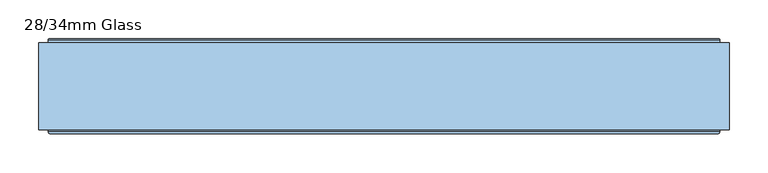
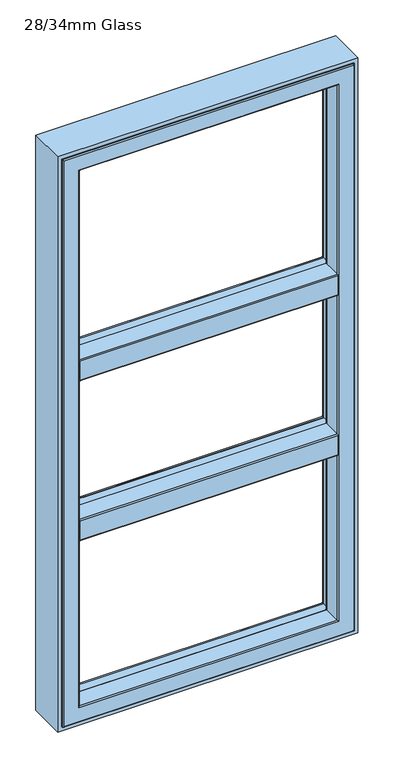
"""IFC4 building model written with IfcOpenShell, lengths in millimetres: window geometry, 28/34mm Glass."""

from ifc_helpers import new_model, si_unit, frame, origin, place, context, project, spatial, polyline, circle_curve, ellipse_curve, outline, extrude, source, transform, mapped, element, save
from ifc_brep_helpers import plane_surface, cylinder_surface, revolved_surface, advanced_brep


def window_28_34mm_glass_2fd0d075(model_context):
    return source(origin(), model_context, "Body", "SolidModel", [
        advanced_brep(
        [(382.0, 91.0, 1395.6729121), (382.0, 91.0, 1379.0), (-382.0, 91.0, 1379.0), (-382.0, 91.0, 1395.6729121), (382.0, 35.0, 1379.0), (-382.0, 35.0, 1379.0), (382.0, 32.0, 1382.0), (382.0, 32.0, 1442.0), (-382.0, 32.0, 1442.0), (-382.0, 32.0, 1382.0), (382.0, 35.0, 1445.0), (382.0, 91.0, 1445.0), (-382.0, 91.0, 1445.0), (-382.0, 35.0, 1445.0), (382.0, 91.0, 1428.3270879), (-382.0, 91.0, 1428.3270879), (400.1583253, 92.2894565, 1426.8419376), (406.822025, 146.5609347, 1420.1893048), (-406.822025, 146.5609347, 1420.1893048), (-400.1583253, 92.2894565, 1426.8419376), (406.822025, 146.5609347, 1403.8106952), (400.1583253, 92.2894565, 1397.1580624), (-400.1583253, 92.2894565, 1397.1580624), (-406.822025, 146.5609347, 1403.8106952), (400.0, 91.0, 1395.6729121), (400.0, 91.0, 1428.3270879), (407.6, 153.0, 1419.4), (407.6, 153.0, 1404.6), (407.6, 154.0, 1405.6), (407.6, 154.0, 1418.4), (407.0359197, 148.3029671, 1404.6), (407.0359197, 148.3029671, 1419.4), (-400.0, 91.0, 1428.3270879), (-400.0, 91.0, 1395.6729121), (-407.6, 153.0, 1404.6), (-407.6, 153.0, 1419.4), (-407.6, 154.0, 1418.4), (-407.6, 154.0, 1405.6), (-407.0359197, 148.3029671, 1419.4), (-407.0359197, 148.3029671, 1404.6)],
        [
            (0, 1),
            (1, 2),
            (2, 3),
            (3, 0),
            (1, 4),
            (4, 5),
            (5, 2),
            (6, 7),
            (7, 8),
            (8, 9),
            (9, 6),
            (10, 11),
            (11, 12),
            (12, 13),
            (13, 10),
            (11, 14),
            (14, 15),
            (15, 12),
            (16, 17),
            (17, 18),
            (18, 19),
            (19, 16),
            (20, 21),
            (21, 22),
            (22, 23),
            (23, 20),
            (14, 0),
            (0, 24),
            (24, 25),
            (25, 14),
            (10, 7, circle_curve(frame((382.0, 35.0, 1442.0), z_axis=(1.0, 0.0, 0.0), x_axis=(0.0, 0.0, 1.0)), 3.0)),
            (6, 4, circle_curve(frame((382.0, 35.0, 1382.0), z_axis=(1.0, 0.0, 0.0), x_axis=(0.0, 0.0, 1.0)), 3.0)),
            (26, 27),
            (27, 28, circle_curve(frame((407.6, 153.0, 1405.6), z_axis=(1.0, 0.0, 0.0), x_axis=(0.0, 0.0, 1.0)), 1.0)),
            (28, 29),
            (29, 26, circle_curve(frame((407.6, 153.0, 1418.4), z_axis=(1.0, 0.0, 0.0), x_axis=(0.0, 0.0, 1.0)), 1.0)),
            (24, 21, ellipse_curve(frame((400.1841768, 92.5, 1395.6729121), z_axis=(-0.9925461516413167, 0.12186934340519207, 0.0), x_axis=(0.12186934340519083, 0.9925461516413169, 0.0)), 1.5112647, 1.5)),
            (20, 30),
            (30, 27),
            (26, 31),
            (31, 17),
            (16, 25, ellipse_curve(frame((400.1841768, 92.5, 1428.3270879), z_axis=(-0.9925461516413167, 0.12186934340519207, 0.0), x_axis=(0.12186934340519083, 0.9925461516413169, 0.0)), 1.5112647, 1.5)),
            (3, 15),
            (15, 32),
            (32, 33),
            (33, 3),
            (5, 9, circle_curve(frame((-382.0, 35.0, 1382.0), z_axis=(-1.0, 0.0, 0.0), x_axis=(0.0, 0.0, 1.0)), 3.0)),
            (8, 13, circle_curve(frame((-382.0, 35.0, 1442.0), z_axis=(-1.0, 0.0, 0.0), x_axis=(0.0, 0.0, 1.0)), 3.0)),
            (34, 35),
            (35, 36, circle_curve(frame((-407.6, 153.0, 1418.4), z_axis=(-1.0, 0.0, 0.0), x_axis=(0.0, 0.0, 1.0)), 1.0)),
            (36, 37),
            (37, 34, circle_curve(frame((-407.6, 153.0, 1405.6), z_axis=(-1.0, 0.0, 0.0), x_axis=(0.0, 0.0, 1.0)), 1.0)),
            (32, 19, ellipse_curve(frame((-400.1841768, 92.5, 1428.3270879), z_axis=(0.9925461516413218, 0.12186934340514957, 0.0), x_axis=(0.12186934340514949, -0.9925461516413219, 0.0)), 1.5112647, 1.5)),
            (18, 38),
            (38, 35),
            (34, 39),
            (39, 23),
            (22, 33, ellipse_curve(frame((-400.1841768, 92.5, 1395.6729121), z_axis=(0.9925461516413218, 0.12186934340514957, 0.0), x_axis=(0.12186934340514949, -0.9925461516413219, 0.0)), 1.5112647, 1.5)),
            (31, 38),
            (26, 35),
            (29, 36),
            (28, 37),
            (27, 34),
            (30, 39),
        ],
        [
            plane_surface(frame((-432.0, 91.0, 1395.6729121), z_axis=(0.0, 1.0, 0.0), x_axis=(1.0, 0.0, 0.0))),
            plane_surface(frame((-432.0, 91.0, 1379.0), z_axis=(0.0, 0.0, -1.0), x_axis=(1.0, 0.0, 0.0))),
            plane_surface(frame((-432.0, 32.0, 1382.0), z_axis=(0.0, -1.0, 0.0), x_axis=(1.0, 0.0, 0.0))),
            plane_surface(frame((-432.0, 35.0, 1445.0), z_axis=(0.0, 0.0, 1.0), x_axis=(1.0, 0.0, 0.0))),
            plane_surface(frame((-432.0, 91.0, 1445.0), z_axis=(0.0, 1.0, 0.0), x_axis=(1.0, 0.0, 0.0))),
            plane_surface(frame((-432.0, 92.2894565, 1426.8419376), z_axis=(0.0, 0.12166994625706042, 0.992570614202236), x_axis=(1.0, 0.0, 0.0))),
            plane_surface(frame((-432.0, 146.5609347, 1403.8106952), z_axis=(0.0, 0.12166994625704212, -0.9925706142022382), x_axis=(1.0, 0.0, 0.0))),
            plane_surface(frame((400.0, 91.0, 1662.0), z_axis=(0.0, -1.0, 0.0), x_axis=(0.0, 0.0, -1.0))),
            plane_surface(frame((382.0, 91.0, 1662.0), z_axis=(1.0, 0.0, 0.0), x_axis=(0.0, 0.0, -1.0))),
            plane_surface(frame((407.6, 154.0, 1662.0), z_axis=(1.0, 0.0, 0.0), x_axis=(0.0, 0.0, -1.0))),
            plane_surface(frame((407.6, 152.8970329, 1662.0), z_axis=(0.9925461516413167, -0.12186934340519207, 0.0), x_axis=(0.0, 0.0, -1.0))),
            plane_surface(frame((-382.0, 91.0, 1662.0), z_axis=(0.0, -1.0, 0.0), x_axis=(0.0, 0.0, -1.0))),
            plane_surface(frame((-382.0, 32.0, 1662.0), z_axis=(-1.0, 0.0, 0.0), x_axis=(0.0, 0.0, -1.0))),
            plane_surface(frame((-407.6, 152.8970329, 1662.0), z_axis=(-1.0, 0.0, 0.0), x_axis=(0.0, 0.0, -1.0))),
            plane_surface(frame((-400.0, 91.0, 1662.0), z_axis=(-0.9925461516413218, -0.12186934340514957, 0.0), x_axis=(0.0, 0.0, -1.0))),
            revolved_surface(polyline([(400.3683536367004, 92.5, 1397.1729121), (-400.36835363670036, 92.5, 1397.1729121)]), (432.0, 92.5, 1395.6729121), (1.0, 0.0, 0.0)),
            cylinder_surface(frame((432.0, 35.0, 1382.0), z_axis=(-1.0, 0.0, 0.0), x_axis=(0.0, 0.0, 1.0)), 3.0),
            cylinder_surface(frame((432.0, 35.0, 1442.0), z_axis=(-1.0, 0.0, 0.0), x_axis=(0.0, 0.0, 1.0)), 3.0),
            revolved_surface(polyline([(400.3683536367004, 92.5, 1429.8270879), (-400.36835363670036, 92.5, 1429.8270879)]), (432.0, 92.5, 1428.3270879), (1.0, 0.0, 0.0)),
            plane_surface(frame((-432.0, 146.5609347, 1420.1893048), z_axis=(0.0, 0.4127070888885561, 0.9108637981504883), x_axis=(1.0, 0.0, 0.0))),
            plane_surface(frame((-432.0, 148.3029671, 1419.4), z_axis=(0.0, 0.0, 1.0), x_axis=(1.0, 0.0, 0.0))),
            cylinder_surface(frame((432.0, 153.0, 1418.4), z_axis=(-1.0, 0.0, 0.0), x_axis=(0.0, 0.0, 1.0)), 1.0),
            plane_surface(frame((-432.0, 154.0, 1418.4), z_axis=(0.0, 1.0, 0.0), x_axis=(1.0, 0.0, 0.0))),
            cylinder_surface(frame((432.0, 153.0, 1405.6), z_axis=(-1.0, 0.0, 0.0), x_axis=(0.0, 0.0, 1.0)), 1.0),
            plane_surface(frame((-432.0, 153.0, 1404.6), z_axis=(0.0, 0.0, -1.0), x_axis=(1.0, 0.0, 0.0))),
            plane_surface(frame((-432.0, 148.3029671, 1404.6), z_axis=(0.0, 0.41270708890017077, -0.9108637981452258), x_axis=(1.0, 0.0, 0.0))),
        ],
        [
            (0, [[1, 2, 3, 4]]),
            (1, [[5, 6, 7, -2]]),
            (2, [[8, 9, 10, 11]]),
            (3, [[12, 13, 14, 15]]),
            (4, [[16, 17, 18, -13]]),
            (5, [[19, 20, 21, 22]]),
            (6, [[23, 24, 25, 26]]),
            (7, [[27, 28, 29, 30]]),
            (8, [[-27, -16, -12, 31, -8, 32, -5, -1]]),
            (9, [[33, 34, 35, 36]]),
            (10, [[-29, 37, -23, 38, 39, -33, 40, 41, -19, 42]]),
            (11, [[43, 44, 45, 46]]),
            (12, [[-43, -3, -7, 47, -10, 48, -14, -18]]),
            (13, [[49, 50, 51, 52]]),
            (14, [[-45, 53, -21, 54, 55, -49, 56, 57, -25, 58]]),
            (15, [[-28, -4, -46, -58, -24, -37]]),
            (16, [[-32, -11, -47, -6]]),
            (17, [[-31, -15, -48, -9]]),
            (18, [[-30, -42, -22, -53, -44, -17]]),
            (19, [[-41, 59, -54, -20]]),
            (20, [[-40, 60, -55, -59]]),
            (21, [[-36, 61, -50, -60]]),
            (22, [[-35, 62, -51, -61]]),
            (23, [[-34, 63, -52, -62]]),
            (24, [[-39, 64, -56, -63]]),
            (25, [[-38, -26, -57, -64]]),
        ],
    ),
        advanced_brep(
        [(382.0, 91.0, 1895.6729121), (382.0, 91.0, 1879.0), (-382.0, 91.0, 1879.0), (-382.0, 91.0, 1895.6729121), (382.0, 35.0, 1879.0), (-382.0, 35.0, 1879.0), (382.0, 32.0, 1882.0), (382.0, 32.0, 1942.0), (-382.0, 32.0, 1942.0), (-382.0, 32.0, 1882.0), (382.0, 35.0, 1945.0), (382.0, 91.0, 1945.0), (-382.0, 91.0, 1945.0), (-382.0, 35.0, 1945.0), (382.0, 91.0, 1928.3270879), (-382.0, 91.0, 1928.3270879), (400.1583253, 92.2894565, 1926.8419376), (406.822025, 146.5609347, 1920.1893048), (-406.822025, 146.5609347, 1920.1893048), (-400.1583253, 92.2894565, 1926.8419376), (406.822025, 146.5609347, 1903.8106952), (400.1583253, 92.2894565, 1897.1580624), (-400.1583253, 92.2894565, 1897.1580624), (-406.822025, 146.5609347, 1903.8106952), (400.0, 91.0, 1895.6729121), (400.0, 91.0, 1928.3270879), (407.6, 153.0, 1919.4), (407.6, 153.0, 1904.6), (407.6, 154.0, 1905.6), (407.6, 154.0, 1918.4), (407.0359197, 148.3029671, 1904.6), (407.0359197, 148.3029671, 1919.4), (-400.0, 91.0, 1928.3270879), (-400.0, 91.0, 1895.6729121), (-407.6, 153.0, 1904.6), (-407.6, 153.0, 1919.4), (-407.6, 154.0, 1918.4), (-407.6, 154.0, 1905.6), (-407.0359197, 148.3029671, 1919.4), (-407.0359197, 148.3029671, 1904.6)],
        [
            (0, 1),
            (1, 2),
            (2, 3),
            (3, 0),
            (1, 4),
            (4, 5),
            (5, 2),
            (6, 7),
            (7, 8),
            (8, 9),
            (9, 6),
            (10, 11),
            (11, 12),
            (12, 13),
            (13, 10),
            (11, 14),
            (14, 15),
            (15, 12),
            (16, 17),
            (17, 18),
            (18, 19),
            (19, 16),
            (20, 21),
            (21, 22),
            (22, 23),
            (23, 20),
            (14, 0),
            (0, 24),
            (24, 25),
            (25, 14),
            (10, 7, circle_curve(frame((382.0, 35.0, 1942.0), z_axis=(1.0, 0.0, 0.0), x_axis=(0.0, 0.0, 1.0)), 3.0)),
            (6, 4, circle_curve(frame((382.0, 35.0, 1882.0), z_axis=(1.0, 0.0, 0.0), x_axis=(0.0, 0.0, 1.0)), 3.0)),
            (26, 27),
            (27, 28, circle_curve(frame((407.6, 153.0, 1905.6), z_axis=(1.0, 0.0, 0.0), x_axis=(0.0, 0.0, 1.0)), 1.0)),
            (28, 29),
            (29, 26, circle_curve(frame((407.6, 153.0, 1918.4), z_axis=(1.0, 0.0, 0.0), x_axis=(0.0, 0.0, 1.0)), 1.0)),
            (24, 21, ellipse_curve(frame((400.1841768, 92.5, 1895.6729121), z_axis=(-0.9925461516413167, 0.12186934340519207, 0.0), x_axis=(0.12186934340519083, 0.9925461516413169, 0.0)), 1.5112647, 1.5)),
            (20, 30),
            (30, 27),
            (26, 31),
            (31, 17),
            (16, 25, ellipse_curve(frame((400.1841768, 92.5, 1928.3270879), z_axis=(-0.9925461516413167, 0.12186934340519207, 0.0), x_axis=(0.12186934340519083, 0.9925461516413169, 0.0)), 1.5112647, 1.5)),
            (3, 15),
            (15, 32),
            (32, 33),
            (33, 3),
            (5, 9, circle_curve(frame((-382.0, 35.0, 1882.0), z_axis=(-1.0, 0.0, 0.0), x_axis=(0.0, 0.0, 1.0)), 3.0)),
            (8, 13, circle_curve(frame((-382.0, 35.0, 1942.0), z_axis=(-1.0, 0.0, 0.0), x_axis=(0.0, 0.0, 1.0)), 3.0)),
            (34, 35),
            (35, 36, circle_curve(frame((-407.6, 153.0, 1918.4), z_axis=(-1.0, 0.0, 0.0), x_axis=(0.0, 0.0, 1.0)), 1.0)),
            (36, 37),
            (37, 34, circle_curve(frame((-407.6, 153.0, 1905.6), z_axis=(-1.0, 0.0, 0.0), x_axis=(0.0, 0.0, 1.0)), 1.0)),
            (32, 19, ellipse_curve(frame((-400.1841768, 92.5, 1928.3270879), z_axis=(0.9925461516413218, 0.12186934340514957, 0.0), x_axis=(0.12186934340514949, -0.9925461516413219, 0.0)), 1.5112647, 1.5)),
            (18, 38),
            (38, 35),
            (34, 39),
            (39, 23),
            (22, 33, ellipse_curve(frame((-400.1841768, 92.5, 1895.6729121), z_axis=(0.9925461516413218, 0.12186934340514957, 0.0), x_axis=(0.12186934340514949, -0.9925461516413219, 0.0)), 1.5112647, 1.5)),
            (31, 38),
            (26, 35),
            (29, 36),
            (28, 37),
            (27, 34),
            (30, 39),
        ],
        [
            plane_surface(frame((-432.0, 91.0, 1895.6729121), z_axis=(0.0, 1.0, 0.0), x_axis=(1.0, 0.0, 0.0))),
            plane_surface(frame((-432.0, 91.0, 1879.0), z_axis=(0.0, 0.0, -1.0), x_axis=(1.0, 0.0, 0.0))),
            plane_surface(frame((-432.0, 32.0, 1882.0), z_axis=(0.0, -1.0, 0.0), x_axis=(1.0, 0.0, 0.0))),
            plane_surface(frame((-432.0, 35.0, 1945.0), z_axis=(0.0, 0.0, 1.0), x_axis=(1.0, 0.0, 0.0))),
            plane_surface(frame((-432.0, 91.0, 1945.0), z_axis=(0.0, 1.0, 0.0), x_axis=(1.0, 0.0, 0.0))),
            plane_surface(frame((-432.0, 92.2894565, 1926.8419376), z_axis=(0.0, 0.12166994625706042, 0.992570614202236), x_axis=(1.0, 0.0, 0.0))),
            plane_surface(frame((-432.0, 146.5609347, 1903.8106952), z_axis=(0.0, 0.12166994625704212, -0.9925706142022382), x_axis=(1.0, 0.0, 0.0))),
            plane_surface(frame((400.0, 91.0, 2162.0), z_axis=(0.0, -1.0, 0.0), x_axis=(0.0, 0.0, -1.0))),
            plane_surface(frame((382.0, 91.0, 2162.0), z_axis=(1.0, 0.0, 0.0), x_axis=(0.0, 0.0, -1.0))),
            plane_surface(frame((407.6, 154.0, 2162.0), z_axis=(1.0, 0.0, 0.0), x_axis=(0.0, 0.0, -1.0))),
            plane_surface(frame((407.6, 152.8970329, 2162.0), z_axis=(0.9925461516413167, -0.12186934340519207, 0.0), x_axis=(0.0, 0.0, -1.0))),
            plane_surface(frame((-382.0, 91.0, 2162.0), z_axis=(0.0, -1.0, 0.0), x_axis=(0.0, 0.0, -1.0))),
            plane_surface(frame((-382.0, 32.0, 2162.0), z_axis=(-1.0, 0.0, 0.0), x_axis=(0.0, 0.0, -1.0))),
            plane_surface(frame((-407.6, 152.8970329, 2162.0), z_axis=(-1.0, 0.0, 0.0), x_axis=(0.0, 0.0, -1.0))),
            plane_surface(frame((-400.0, 91.0, 2162.0), z_axis=(-0.9925461516413218, -0.12186934340514957, 0.0), x_axis=(0.0, 0.0, -1.0))),
            revolved_surface(polyline([(400.3683536367004, 92.5, 1897.1729121), (-400.36835363670036, 92.5, 1897.1729121)]), (432.0, 92.5, 1895.6729121), (1.0, 0.0, 0.0)),
            cylinder_surface(frame((432.0, 35.0, 1882.0), z_axis=(-1.0, 0.0, 0.0), x_axis=(0.0, 0.0, 1.0)), 3.0),
            cylinder_surface(frame((432.0, 35.0, 1942.0), z_axis=(-1.0, 0.0, 0.0), x_axis=(0.0, 0.0, 1.0)), 3.0),
            revolved_surface(polyline([(400.3683536367004, 92.5, 1929.8270879), (-400.36835363670036, 92.5, 1929.8270879)]), (432.0, 92.5, 1928.3270879), (1.0, 0.0, 0.0)),
            plane_surface(frame((-432.0, 146.5609347, 1920.1893048), z_axis=(0.0, 0.4127070888885561, 0.9108637981504883), x_axis=(1.0, 0.0, 0.0))),
            plane_surface(frame((-432.0, 148.3029671, 1919.4), z_axis=(0.0, 0.0, 1.0), x_axis=(1.0, 0.0, 0.0))),
            cylinder_surface(frame((432.0, 153.0, 1918.4), z_axis=(-1.0, 0.0, 0.0), x_axis=(0.0, 0.0, 1.0)), 1.0),
            plane_surface(frame((-432.0, 154.0, 1918.4), z_axis=(0.0, 1.0, 0.0), x_axis=(1.0, 0.0, 0.0))),
            cylinder_surface(frame((432.0, 153.0, 1905.6), z_axis=(-1.0, 0.0, 0.0), x_axis=(0.0, 0.0, 1.0)), 1.0),
            plane_surface(frame((-432.0, 153.0, 1904.6), z_axis=(0.0, 0.0, -1.0), x_axis=(1.0, 0.0, 0.0))),
            plane_surface(frame((-432.0, 148.3029671, 1904.6), z_axis=(0.0, 0.41270708890017077, -0.9108637981452258), x_axis=(1.0, 0.0, 0.0))),
        ],
        [
            (0, [[1, 2, 3, 4]]),
            (1, [[5, 6, 7, -2]]),
            (2, [[8, 9, 10, 11]]),
            (3, [[12, 13, 14, 15]]),
            (4, [[16, 17, 18, -13]]),
            (5, [[19, 20, 21, 22]]),
            (6, [[23, 24, 25, 26]]),
            (7, [[27, 28, 29, 30]]),
            (8, [[-27, -16, -12, 31, -8, 32, -5, -1]]),
            (9, [[33, 34, 35, 36]]),
            (10, [[-29, 37, -23, 38, 39, -33, 40, 41, -19, 42]]),
            (11, [[43, 44, 45, 46]]),
            (12, [[-43, -3, -7, 47, -10, 48, -14, -18]]),
            (13, [[49, 50, 51, 52]]),
            (14, [[-45, 53, -21, 54, 55, -49, 56, 57, -25, 58]]),
            (15, [[-28, -4, -46, -58, -24, -37]]),
            (16, [[-32, -11, -47, -6]]),
            (17, [[-31, -15, -48, -9]]),
            (18, [[-30, -42, -22, -53, -44, -17]]),
            (19, [[-41, 59, -54, -20]]),
            (20, [[-40, 60, -55, -59]]),
            (21, [[-36, 61, -50, -60]]),
            (22, [[-35, 62, -51, -61]]),
            (23, [[-34, 63, -52, -62]]),
            (24, [[-39, 64, -56, -63]]),
            (25, [[-38, -26, -57, -64]]),
        ],
    ),
        advanced_brep(
        [(-383.5, 91.0, 2539.5), (-382.0, 89.5, 2538.0), (-382.0, 89.5, 862.0), (-383.5, 91.0, 860.5), (-382.0, 35.0, 2538.0), (-382.0, 35.0, 862.0), (382.0, 89.5, 862.0), (383.5, 91.0, 860.5), (398.6498733, 91.0, 2554.6498733), (398.6498733, 91.0, 845.3501267), (-398.6498733, 91.0, 845.3501267), (-398.6498733, 91.0, 2554.6498733), (383.5, 91.0, 2539.5), (-400.1386925, 92.317196, 2556.1386925), (-400.1386925, 92.317196, 843.8613075), (400.1386925, 92.317196, 843.8613075), (-406.7857488, 146.453125, 2562.7857488), (-406.7857488, 146.453125, 837.2142512), (406.7857488, 146.453125, 837.2142512), (407.6, 146.453125, 2563.6), (407.6, 146.453125, 836.4), (-407.6, 146.453125, 836.4), (-407.6, 146.453125, 2563.6), (406.7857488, 146.453125, 2562.7857488), (-407.6, 153.0, 2563.6), (-407.6, 153.0, 836.4), (407.6, 153.0, 836.4), (-408.6, 154.0, 2564.6), (-408.6, 154.0, 835.4), (408.6, 154.0, 835.4), (431.0, 154.0, 2587.0), (431.0, 154.0, 813.0), (-431.0, 154.0, 813.0), (-431.0, 154.0, 2587.0), (408.6, 154.0, 2564.6), (-432.0, 153.0, 2588.0), (-432.0, 153.0, 812.0), (432.0, 153.0, 812.0), (-432.0, 35.0, 2588.0), (-432.0, 35.0, 812.0), (432.0, 35.0, 812.0), (-429.0, 32.0, 2585.0), (-429.0, 32.0, 815.0), (429.0, 32.0, 815.0), (429.0, 32.0, 2585.0), (385.0, 32.0, 2541.0), (385.0, 32.0, 859.0), (-385.0, 32.0, 859.0), (-385.0, 32.0, 2541.0), (382.0, 35.0, 862.0), (382.0, 89.5, 2538.0), (400.1386925, 92.317196, 2556.1386925), (407.6, 153.0, 2563.6), (432.0, 153.0, 2588.0), (432.0, 35.0, 2588.0), (382.0, 35.0, 2538.0)],
        [
            (0, 1, ellipse_curve(frame((-383.5, 89.5, 2539.5), z_axis=(-0.7071067811865475, 0.0, -0.7071067811865475), x_axis=(-0.7071067811865474, 0.0, 0.7071067811865476)), 2.1213203, 1.5)),
            (1, 2),
            (2, 3, ellipse_curve(frame((-383.5, 89.5, 860.5), z_axis=(-0.7071067811865475, 0.0, 0.7071067811865475), x_axis=(0.7071067811865474, 0.0, 0.7071067811865476)), 2.1213203, 1.5)),
            (3, 0),
            (1, 4),
            (4, 5),
            (5, 2),
            (2, 6),
            (6, 7, ellipse_curve(frame((383.5, 89.5, 860.5), z_axis=(-0.7071067811865475, 0.0, -0.7071067811865475), x_axis=(-0.7071067811865476, 0.0, 0.7071067811865474)), 2.1213203, 1.5)),
            (7, 3),
            (8, 9),
            (9, 10),
            (10, 11),
            (11, 8),
            (7, 12),
            (12, 0),
            (13, 11, ellipse_curve(frame((-398.6498733, 92.5, 2554.6498733), z_axis=(0.7071067811865475, 0.0, 0.7071067811865475), x_axis=(0.7071067811865474, 0.0, -0.7071067811865476)), 2.1213203, 1.5)),
            (10, 14, ellipse_curve(frame((-398.6498733, 92.5, 845.3501267), z_axis=(0.7071067811865475, 0.0, -0.7071067811865475), x_axis=(-0.7071067811865474, 0.0, -0.7071067811865476)), 2.1213203, 1.5)),
            (14, 13),
            (9, 15, ellipse_curve(frame((398.6498733, 92.5, 845.3501267), z_axis=(0.7071067811865475, 0.0, 0.7071067811865475), x_axis=(0.7071067811865476, 0.0, -0.7071067811865474)), 2.1213203, 1.5)),
            (15, 14),
            (16, 13),
            (14, 17),
            (17, 16),
            (15, 18),
            (18, 17),
            (19, 20),
            (20, 21),
            (21, 22),
            (22, 19),
            (18, 23),
            (23, 16),
            (24, 22),
            (21, 25),
            (25, 24),
            (20, 26),
            (26, 25),
            (27, 24, ellipse_curve(frame((-408.6, 153.0, 2564.6), z_axis=(-0.7071067811865475, 0.0, -0.7071067811865475), x_axis=(-0.7071067811865474, 0.0, 0.7071067811865476)), 1.4142136, 1.0)),
            (25, 28, ellipse_curve(frame((-408.6, 153.0, 835.4), z_axis=(-0.7071067811865475, 0.0, 0.7071067811865475), x_axis=(0.7071067811865474, 0.0, 0.7071067811865476)), 1.4142136, 1.0)),
            (28, 27),
            (26, 29, ellipse_curve(frame((408.6, 153.0, 835.4), z_axis=(-0.7071067811865475, 0.0, -0.7071067811865475), x_axis=(-0.7071067811865476, 0.0, 0.7071067811865474)), 1.4142136, 1.0)),
            (29, 28),
            (30, 31),
            (31, 32),
            (32, 33),
            (33, 30),
            (29, 34),
            (34, 27),
            (35, 33, ellipse_curve(frame((-431.0, 153.0, 2587.0), z_axis=(-0.7071067811865475, 0.0, -0.7071067811865475), x_axis=(-0.7071067811865474, 0.0, 0.7071067811865476)), 1.4142136, 1.0)),
            (32, 36, ellipse_curve(frame((-431.0, 153.0, 813.0), z_axis=(-0.7071067811865475, 0.0, 0.7071067811865475), x_axis=(0.7071067811865474, 0.0, 0.7071067811865476)), 1.4142136, 1.0)),
            (36, 35),
            (31, 37, ellipse_curve(frame((431.0, 153.0, 813.0), z_axis=(-0.7071067811865475, 0.0, -0.7071067811865475), x_axis=(-0.7071067811865476, 0.0, 0.7071067811865474)), 1.4142136, 1.0)),
            (37, 36),
            (38, 35),
            (36, 39),
            (39, 38),
            (37, 40),
            (40, 39),
            (41, 38, ellipse_curve(frame((-429.0, 35.0, 2585.0), z_axis=(-0.7071067811865475, 0.0, -0.7071067811865475), x_axis=(-0.7071067811865474, 0.0, 0.7071067811865476)), 4.2426407, 3.0)),
            (39, 42, ellipse_curve(frame((-429.0, 35.0, 815.0), z_axis=(-0.7071067811865475, 0.0, 0.7071067811865475), x_axis=(0.7071067811865474, 0.0, 0.7071067811865476)), 4.2426407, 3.0)),
            (42, 41),
            (40, 43, ellipse_curve(frame((429.0, 35.0, 815.0), z_axis=(-0.7071067811865475, 0.0, -0.7071067811865475), x_axis=(-0.7071067811865476, 0.0, 0.7071067811865474)), 4.2426407, 3.0)),
            (43, 42),
            (43, 44),
            (44, 41),
            (45, 46),
            (46, 47),
            (47, 48),
            (48, 45),
            (4, 48, ellipse_curve(frame((-385.0, 35.0, 2541.0), z_axis=(-0.7071067811865475, 0.0, -0.7071067811865475), x_axis=(-0.7071067811865474, 0.0, 0.7071067811865476)), 4.2426407, 3.0)),
            (47, 5, ellipse_curve(frame((-385.0, 35.0, 859.0), z_axis=(-0.7071067811865475, 0.0, 0.7071067811865475), x_axis=(0.7071067811865474, 0.0, 0.7071067811865476)), 4.2426407, 3.0)),
            (46, 49, ellipse_curve(frame((385.0, 35.0, 859.0), z_axis=(-0.7071067811865475, 0.0, -0.7071067811865475), x_axis=(-0.7071067811865476, 0.0, 0.7071067811865474)), 4.2426407, 3.0)),
            (49, 5),
            (49, 6),
            (6, 50),
            (50, 12, ellipse_curve(frame((383.5, 89.5, 2539.5), z_axis=(0.7071067811865475, 0.0, -0.7071067811865475), x_axis=(-0.7071067811865474, 0.0, -0.7071067811865476)), 2.1213203, 1.5)),
            (8, 51, ellipse_curve(frame((398.6498733, 92.5, 2554.6498733), z_axis=(-0.7071067811865475, 0.0, 0.7071067811865475), x_axis=(0.7071067811865474, 0.0, 0.7071067811865476)), 2.1213203, 1.5)),
            (51, 15),
            (51, 23),
            (19, 52),
            (52, 26),
            (52, 34, ellipse_curve(frame((408.6, 153.0, 2564.6), z_axis=(0.7071067811865475, 0.0, -0.7071067811865475), x_axis=(-0.7071067811865474, 0.0, -0.7071067811865476)), 1.4142136, 1.0)),
            (30, 53, ellipse_curve(frame((431.0, 153.0, 2587.0), z_axis=(0.7071067811865475, 0.0, -0.7071067811865475), x_axis=(-0.7071067811865474, 0.0, -0.7071067811865476)), 1.4142136, 1.0)),
            (53, 37),
            (53, 54),
            (54, 40),
            (54, 44, ellipse_curve(frame((429.0, 35.0, 2585.0), z_axis=(0.7071067811865475, 0.0, -0.7071067811865475), x_axis=(-0.7071067811865474, 0.0, -0.7071067811865476)), 4.2426407, 3.0)),
            (45, 55, ellipse_curve(frame((385.0, 35.0, 2541.0), z_axis=(0.7071067811865475, 0.0, -0.7071067811865475), x_axis=(-0.7071067811865474, 0.0, -0.7071067811865476)), 4.2426407, 3.0)),
            (55, 49),
            (55, 50),
            (50, 1),
            (55, 4),
            (13, 51),
            (24, 52),
            (35, 53),
            (38, 54),
        ],
        [
            cylinder_surface(frame((-383.5, 89.5, 2600.0), z_axis=(0.0, 0.0, 1.0), x_axis=(0.0, 1.0, 0.0)), 1.5),
            plane_surface(frame((-382.0, 35.0, 2538.0), z_axis=(1.0, 0.0, 0.0), x_axis=(0.0, 0.0, -1.0))),
            cylinder_surface(frame((-444.0, 89.5, 860.5), z_axis=(-1.0, 0.0, 0.0), x_axis=(0.0, 1.0, 0.0)), 1.5),
            plane_surface(frame((383.5, 91.0, 860.5), z_axis=(0.0, 1.0, 0.0), x_axis=(0.0, 0.0, 1.0))),
            revolved_surface(polyline([(-398.6498733, 94.0, 843.8501267308015), (-398.6498733, 94.0, 2556.1498732691985)]), (-398.6498733, 92.5, 2600.0), (0.0, 0.0, -1.0)),
            revolved_surface(polyline([(400.1498732691988, 94.0, 845.3501267), (-400.1498732691987, 94.0, 845.3501267)]), (-444.0, 92.5, 845.3501267), (1.0, 0.0, 0.0)),
            plane_surface(frame((-400.1386925, 92.317196, 2556.1386925), z_axis=(0.9925461516413234, 0.12186934340513697, 0.0), x_axis=(0.0, 0.0, -1.0))),
            plane_surface(frame((-400.1386925, 92.317196, 843.8613075), z_axis=(0.0, 0.12186934340513697, 0.9925461516413234), x_axis=(1.0, 0.0, 0.0))),
            plane_surface(frame((406.7857488, 146.453125, 837.2142512), z_axis=(0.0, 1.0, 0.0), x_axis=(0.0, 0.0, 1.0))),
            plane_surface(frame((-407.6, 146.453125, 2563.6), z_axis=(1.0, 0.0, 0.0), x_axis=(0.0, 0.0, -1.0))),
            plane_surface(frame((-407.6, 146.453125, 836.4), z_axis=(0.0, 0.0, 1.0), x_axis=(1.0, 0.0, 0.0))),
            cylinder_surface(frame((-408.6, 153.0, 2600.0), z_axis=(0.0, 0.0, 1.0), x_axis=(0.0, 1.0, 0.0)), 1.0),
            cylinder_surface(frame((-444.0, 153.0, 835.4), z_axis=(-1.0, 0.0, 0.0), x_axis=(0.0, 1.0, 0.0)), 1.0),
            plane_surface(frame((408.6, 154.0, 835.4), z_axis=(0.0, 1.0, 0.0), x_axis=(0.0, 0.0, 1.0))),
            cylinder_surface(frame((-431.0, 153.0, 2600.0), z_axis=(0.0, 0.0, 1.0), x_axis=(0.0, 1.0, 0.0)), 1.0),
            cylinder_surface(frame((-444.0, 153.0, 813.0), z_axis=(-1.0, 0.0, 0.0), x_axis=(0.0, 1.0, 0.0)), 1.0),
            plane_surface(frame((-432.0, 153.0, 2588.0), z_axis=(-1.0, 0.0, 0.0), x_axis=(0.0, 0.0, -1.0))),
            plane_surface(frame((-432.0, 153.0, 812.0), z_axis=(0.0, 0.0, -1.0), x_axis=(1.0, 0.0, 0.0))),
            cylinder_surface(frame((-429.0, 35.0, 2600.0), z_axis=(0.0, 0.0, 1.0), x_axis=(0.0, 1.0, 0.0)), 3.0),
            cylinder_surface(frame((-444.0, 35.0, 815.0), z_axis=(-1.0, 0.0, 0.0), x_axis=(0.0, 1.0, 0.0)), 3.0),
            plane_surface(frame((429.0, 32.0, 815.0), z_axis=(0.0, -1.0, 0.0), x_axis=(0.0, 0.0, 1.0))),
            cylinder_surface(frame((-385.0, 35.0, 2600.0), z_axis=(0.0, 0.0, 1.0), x_axis=(0.0, 1.0, 0.0)), 3.0),
            cylinder_surface(frame((-444.0, 35.0, 859.0), z_axis=(-1.0, 0.0, 0.0), x_axis=(0.0, 1.0, 0.0)), 3.0),
            plane_surface(frame((-382.0, 35.0, 862.0), z_axis=(0.0, 0.0, 1.0), x_axis=(1.0, 0.0, 0.0))),
            cylinder_surface(frame((383.5, 89.5, 800.0), z_axis=(0.0, 0.0, -1.0), x_axis=(0.0, 1.0, 0.0)), 1.5),
            revolved_surface(polyline([(398.6498733, 94.0, 2556.1498732691985), (398.6498733, 94.0, 843.8501267308013)]), (398.6498733, 92.5, 800.0), (0.0, 0.0, 1.0)),
            plane_surface(frame((400.1386925, 92.317196, 843.8613075), z_axis=(-0.9925461516413234, 0.12186934340513697, 0.0), x_axis=(0.0, 0.0, 1.0))),
            plane_surface(frame((407.6, 146.453125, 836.4), z_axis=(-1.0, 0.0, 0.0), x_axis=(0.0, 0.0, 1.0))),
            cylinder_surface(frame((408.6, 153.0, 800.0), z_axis=(0.0, 0.0, -1.0), x_axis=(0.0, 1.0, 0.0)), 1.0),
            cylinder_surface(frame((431.0, 153.0, 800.0), z_axis=(0.0, 0.0, -1.0), x_axis=(0.0, 1.0, 0.0)), 1.0),
            plane_surface(frame((432.0, 153.0, 812.0), z_axis=(1.0, 0.0, 0.0), x_axis=(0.0, 0.0, 1.0))),
            cylinder_surface(frame((429.0, 35.0, 800.0), z_axis=(0.0, 0.0, -1.0), x_axis=(0.0, 1.0, 0.0)), 3.0),
            cylinder_surface(frame((385.0, 35.0, 800.0), z_axis=(0.0, 0.0, -1.0), x_axis=(0.0, 1.0, 0.0)), 3.0),
            plane_surface(frame((382.0, 35.0, 862.0), z_axis=(-1.0, 0.0, 0.0), x_axis=(0.0, 0.0, 1.0))),
            cylinder_surface(frame((444.0, 89.5, 2539.5), z_axis=(1.0, 0.0, 0.0), x_axis=(0.0, 1.0, 0.0)), 1.5),
            plane_surface(frame((382.0, 35.0, 2538.0), z_axis=(0.0, 0.0, -1.0), x_axis=(-1.0, 0.0, 0.0))),
            revolved_surface(polyline([(-400.1498732691988, 94.0, 2554.6498733), (400.1498732691987, 94.0, 2554.6498733)]), (444.0, 92.5, 2554.6498733), (-1.0, 0.0, 0.0)),
            plane_surface(frame((400.1386925, 92.317196, 2556.1386925), z_axis=(0.0, 0.12186934340513697, -0.9925461516413234), x_axis=(-1.0, 0.0, 0.0))),
            plane_surface(frame((407.6, 146.453125, 2563.6), z_axis=(0.0, 0.0, -1.0), x_axis=(-1.0, 0.0, 0.0))),
            cylinder_surface(frame((444.0, 153.0, 2564.6), z_axis=(1.0, 0.0, 0.0), x_axis=(0.0, 1.0, 0.0)), 1.0),
            cylinder_surface(frame((444.0, 153.0, 2587.0), z_axis=(1.0, 0.0, 0.0), x_axis=(0.0, 1.0, 0.0)), 1.0),
            plane_surface(frame((432.0, 153.0, 2588.0), z_axis=(0.0, 0.0, 1.0), x_axis=(-1.0, 0.0, 0.0))),
            cylinder_surface(frame((444.0, 35.0, 2585.0), z_axis=(1.0, 0.0, 0.0), x_axis=(0.0, 1.0, 0.0)), 3.0),
            cylinder_surface(frame((444.0, 35.0, 2541.0), z_axis=(1.0, 0.0, 0.0), x_axis=(0.0, 1.0, 0.0)), 3.0),
        ],
        [
            (0, [[1, 2, 3, 4]]),
            (1, [[5, 6, 7, -2]]),
            (2, [[-3, 8, 9, 10]]),
            (3, [[11, 12, 13, 14], [-4, -10, 15, 16]]),
            (4, [[17, -13, 18, 19]]),
            (5, [[-18, -12, 20, 21]]),
            (6, [[22, -19, 23, 24]]),
            (7, [[-23, -21, 25, 26]]),
            (8, [[27, 28, 29, 30], [-24, -26, 31, 32]]),
            (9, [[33, -29, 34, 35]]),
            (10, [[-34, -28, 36, 37]]),
            (11, [[38, -35, 39, 40]]),
            (12, [[-39, -37, 41, 42]]),
            (13, [[43, 44, 45, 46], [-40, -42, 47, 48]]),
            (14, [[49, -45, 50, 51]]),
            (15, [[-50, -44, 52, 53]]),
            (16, [[54, -51, 55, 56]]),
            (17, [[-55, -53, 57, 58]]),
            (18, [[59, -56, 60, 61]]),
            (19, [[-60, -58, 62, 63]]),
            (20, [[-61, -63, 64, 65], [66, 67, 68, 69]]),
            (21, [[70, -68, 71, -6]]),
            (22, [[-71, -67, 72, 73]]),
            (23, [[-7, -73, 74, -8]]),
            (24, [[-9, 75, 76, -15]]),
            (25, [[-20, -11, 77, 78]]),
            (26, [[-25, -78, 79, -31]]),
            (27, [[-36, -27, 80, 81]]),
            (28, [[-41, -81, 82, -47]]),
            (29, [[-52, -43, 83, 84]]),
            (30, [[-57, -84, 85, 86]]),
            (31, [[-62, -86, 87, -64]]),
            (32, [[-72, -66, 88, 89]]),
            (33, [[-74, -89, 90, -75]]),
            (34, [[-76, 91, -1, -16]]),
            (35, [[-90, 92, -5, -91]]),
            (36, [[-77, -14, -17, 93]]),
            (37, [[-79, -93, -22, -32]]),
            (38, [[-80, -30, -33, 94]]),
            (39, [[-82, -94, -38, -48]]),
            (40, [[-83, -46, -49, 95]]),
            (41, [[-85, -95, -54, 96]]),
            (42, [[-87, -96, -59, -65]]),
            (43, [[-88, -69, -70, -92]]),
        ],
    ),
        extrude(outline(polyline([(2600.0, -444.0), (800.0, -444.0), (800.0, 444.0), (2600.0, 444.0), (2600.0, -444.0)]), holes=[polyline([(2588.0, 432.0), (812.0, 432.0), (812.0, -432.0), (2588.0, -432.0), (2588.0, 432.0)])]), frame((0.0, 37.0, 0.0), z_axis=(0.0, 1.0, 0.0), x_axis=(0.0, 0.0, 1.0)), (0.0, 0.0, 1.0), 112.0),
    ])


if __name__ == "__main__":
    model = new_model("IFC4")
    model_context = context("Model", 3, world=origin())
    ifc_project = project(units=[si_unit("LENGTHUNIT", "METRE", prefix="MILLI")], contexts=[model_context])
    site = spatial("IfcSite", under=ifc_project)
    building = spatial("IfcBuilding", under=site)
    placement = place(None, origin())
    window_28_34mm_glass_shape = window_28_34mm_glass_2fd0d075(model_context)
    element("IfcWindow", 1, ObjectType="28/34mm Glass", at=placement, inside=building, context=model_context, shape_type="MappedRepresentation", body=[
        mapped(window_28_34mm_glass_shape, transform((0.0, 0.0, 0.0), x_axis=(1.0, 0.0, 0.0), y_axis=(0.0, 1.0, 0.0), z_axis=(0.0, 0.0, 1.0))),
    ])
    save(model, "model.ifc")
